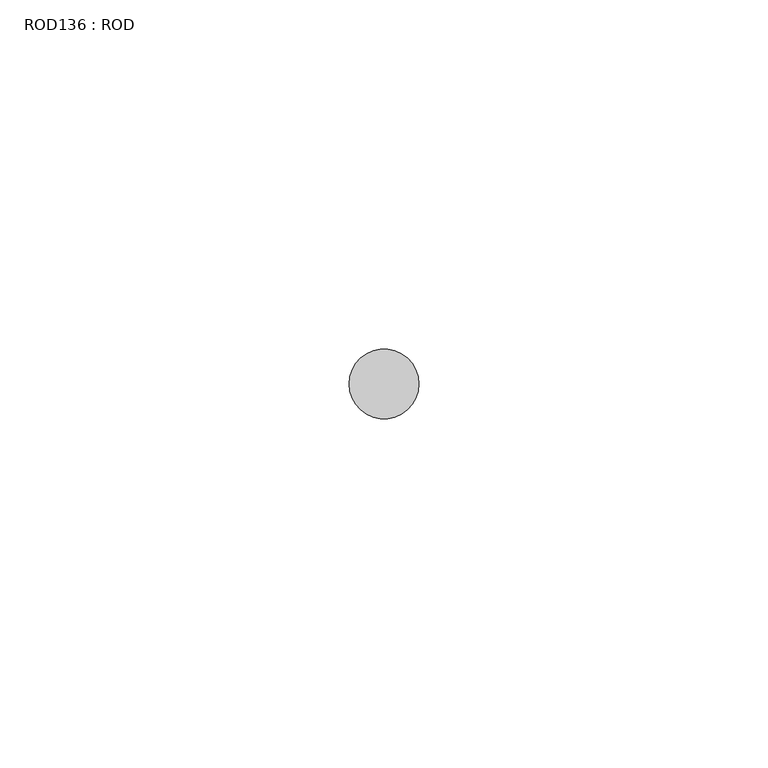
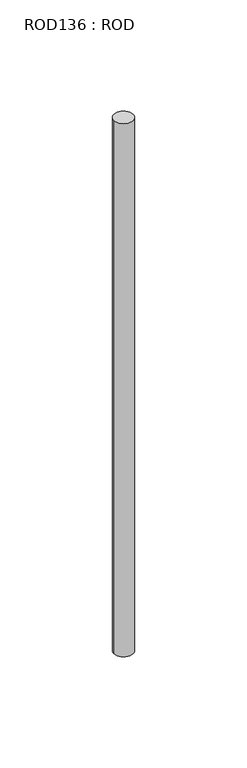
"""IFC4 building model written with IfcOpenShell, lengths in millimetres: proxy geometry, ROD136 : ROD."""

from ifc_helpers import new_model, si_unit, point, frame, frame_2d, origin, place, context, project, spatial, circle_curve, trimmed, segment, composite_curve, outline, extrude, source, transform, mapped, element, save


def rod136_rod_3f72bcb5(model_context):
    return source(origin(), model_context, "Body", "SweptSolid", [
        extrude(outline(composite_curve([segment(trimmed(circle_curve(frame_2d((5432.7784384, -12414.6300853)), 5.0), [point((5427.7784384, -12414.6300853))], [point((5437.7784384, -12414.6300853))], False, "CARTESIAN"), True, "CONTINUOUS"), segment(trimmed(circle_curve(frame_2d((5432.7784384, -12414.6300853)), 5.0), [point((5437.7784384, -12414.6300853))], [point((5427.7784384, -12414.6300853))], False, "CARTESIAN"), True, "CONTINUOUS")], self_intersect=False)), frame((0.0, 0.0, -208.6608845), z_axis=(0.0, 0.0, 1.0), x_axis=(1.0, 0.0, 0.0)), (0.0, 0.0, 1.0), 298.9028972),
    ])


if __name__ == "__main__":
    model = new_model("IFC4")
    model_context = context("Model", 3, world=origin())
    ifc_project = project(units=[si_unit("LENGTHUNIT", "METRE", prefix="MILLI")], contexts=[model_context])
    site = spatial("IfcSite", under=ifc_project)
    building = spatial("IfcBuilding", under=site)
    placement = place(None, origin())
    rod136_rod_shape = rod136_rod_3f72bcb5(model_context)
    element("IfcBuildingElementProxy", 1, Name="ROD136 : ROD", ObjectType="ROD136 : ROD", at=placement, inside=building, context=model_context, shape_type="MappedRepresentation", body=[
        mapped(rod136_rod_shape, transform((0.0, 0.0, 0.0), x_axis=(1.0, 0.0, 0.0), y_axis=(0.0, 1.0, 0.0), z_axis=(0.0, 0.0, 1.0))),
    ])
    save(model, "model.ifc")
